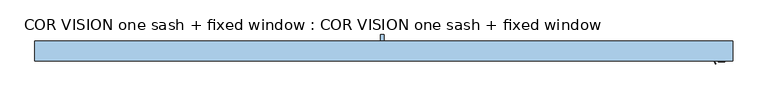
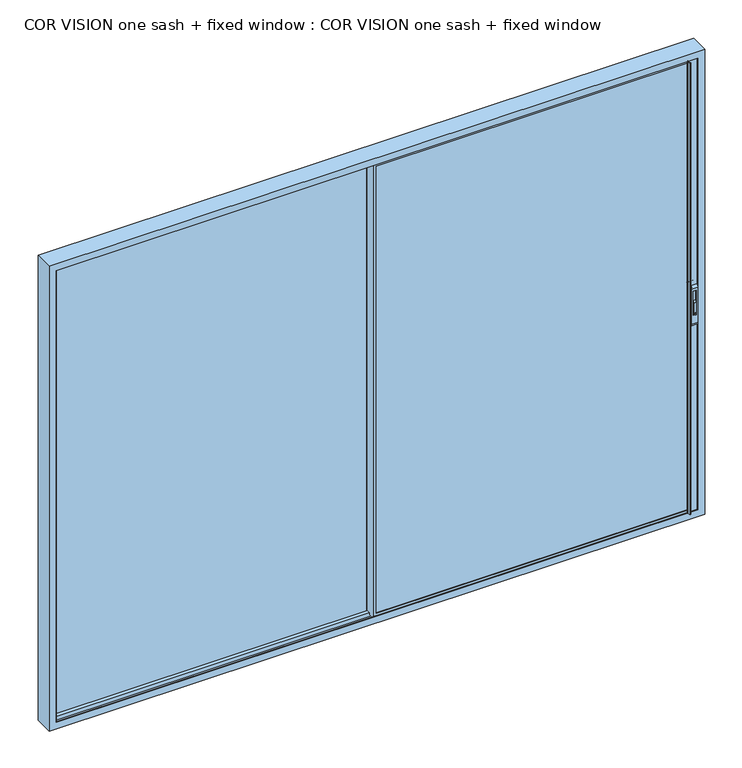
"""IFC4 building model written with IfcOpenShell, lengths in millimetres: window geometry, COR VISION one sash + fixed window : COR VISION one sash + fixed window."""

import ifcopenshell
import ifcopenshell.guid

model = None  # the IFC model being written
_history = None  # IfcOwnerHistory: only IFC2X3 demands one
_inside = {}  # id of a spatial element -> (the spatial element, [elements in it])
_under = {}  # id of a project, library or spatial element -> (it, [spatial elements below it])
_declared = {}  # id of a project -> (the project, [libraries it declares])
_typed = {}  # id of a type object -> (the type object, [elements of that type])
_made_of = {}  # id of a material, layer set ... -> (it, [elements and type objects made of it])


def new_model(schema):
    """Start an empty IFC model of exactly this schema.

    Asked for "IFC4X3", IfcOpenShell would pick the latest addendum, in which some entities
    have other attributes; the version numbers below select the first issue.
    IFC2X3 requires an IfcOwnerHistory on every rooted entity: one is made here for all.
    """
    global model, _history
    if schema == "IFC4X3":
        model = ifcopenshell.file(schema_version=(4, 3, 0, 0))
    else:
        model = ifcopenshell.file(schema=schema)
    _inside.clear()
    _under.clear()
    _declared.clear()
    _typed.clear()
    _made_of.clear()
    _history = None
    if model.schema == "IFC2X3":
        org = make("IfcOrganization", Name="unknown")
        user = make(
            "IfcPersonAndOrganization",
            ThePerson=make("IfcPerson", FamilyName="unknown"),
            TheOrganization=org,
        )
        app = make(
            "IfcApplication",
            ApplicationDeveloper=org,
            Version="unknown",
            ApplicationFullName="unknown",
            ApplicationIdentifier="unknown",
        )
        _history = make(
            "IfcOwnerHistory",
            OwningUser=user,
            OwningApplication=app,
            ChangeAction="ADDED",
            CreationDate=0,
        )
    return model


def make(cls, **values):
    """One entity of the class cls with the attributes given. An attribute that is None is left unset."""
    return model.create_entity(
        cls, **{name: value for name, value in values.items() if value is not None}
    )


def rooted(cls, **values):
    """An entity with a GlobalId (a new one), such as an element, a storey or a relation."""
    return make(cls, GlobalId=ifcopenshell.guid.new(), OwnerHistory=_history, **values)


def si_unit(unit_type, name, prefix=None):
    """IfcSIUnit, for example si_unit("LENGTHUNIT", "METRE", prefix="MILLI")."""
    return make("IfcSIUnit", UnitType=unit_type, Prefix=prefix, Name=name)


def assignment(units):
    """IfcUnitAssignment: the units of a project."""
    return None if units is None else make("IfcUnitAssignment", Units=units)


def point(xyz):
    """IfcCartesianPoint."""
    return None if xyz is None else make("IfcCartesianPoint", Coordinates=xyz)


def direction(xyz):
    """IfcDirection."""
    return None if xyz is None else make("IfcDirection", DirectionRatios=xyz)


def frame(location, z_axis=None, x_axis=None):
    """IfcAxis2Placement3D, a coordinate frame: its origin and axes. An axis left out is left unset."""
    return make(
        "IfcAxis2Placement3D",
        Location=point(location),
        Axis=direction(z_axis),
        RefDirection=direction(x_axis),
    )


def frame_2d(location, x_axis=None):
    """IfcAxis2Placement2D, a coordinate frame in the plane: its origin and x axis."""
    return make(
        "IfcAxis2Placement2D", Location=point(location), RefDirection=direction(x_axis)
    )


def origin():
    """The frame at (0, 0, 0) with its axes left unset."""
    return frame((0.0, 0.0, 0.0))


def place(relative_to, where):
    """IfcLocalPlacement: puts the frame where relative to a parent placement (None: the world)."""
    return make(
        "IfcLocalPlacement", PlacementRelTo=relative_to, RelativePlacement=where
    )


def context(
    kind, dimensions, precision=None, world=None, true_north=None, identifier=None
):
    """IfcGeometricRepresentationContext, for example the 3D "Model" context."""
    return make(
        "IfcGeometricRepresentationContext",
        ContextIdentifier=identifier,
        ContextType=kind,
        CoordinateSpaceDimension=dimensions,
        Precision=precision,
        WorldCoordinateSystem=world,
        TrueNorth=true_north,
    )


def project(units=None, contexts=None):
    """IfcProject with its units and contexts."""
    return rooted(
        "IfcProject",
        Name="project",
        RepresentationContexts=contexts,
        UnitsInContext=assignment(units),
    )


def spatial(cls, under=None, at=None, **own):
    """A site, building, storey or space (cls), placed at a placement, below another one or the project."""
    s = rooted(cls, ObjectPlacement=at, **own)
    if under is not None:
        _under.setdefault(under.id(), (under, []))[1].append(s)
    return s


def polyline(points):
    """IfcPolyline through the points."""
    return make("IfcPolyline", Points=[point(p) for p in points])


def circle_curve(where, radius):
    """IfcCircle in the frame where."""
    return make("IfcCircle", Position=where, Radius=radius)


def trimmed(basis, trim1, trim2, sense, master):
    """IfcTrimmedCurve: the piece of a basis curve between two trims."""
    return make(
        "IfcTrimmedCurve",
        BasisCurve=basis,
        Trim1=trim1,
        Trim2=trim2,
        SenseAgreement=sense,
        MasterRepresentation=master,
    )


def segment(curve, same_sense, transition):
    """IfcCompositeCurveSegment."""
    return make(
        "IfcCompositeCurveSegment",
        Transition=transition,
        SameSense=same_sense,
        ParentCurve=curve,
    )


def composite_curve(segments, self_intersect=None):
    """IfcCompositeCurve: segments joined end to end."""
    return make("IfcCompositeCurve", Segments=segments, SelfIntersect=self_intersect)


def outline(outer, holes=None, kind="AREA"):
    """IfcArbitraryClosedProfileDef: a profile drawn as a closed curve; with holes, ...WithVoids."""
    if holes is None:
        return make("IfcArbitraryClosedProfileDef", ProfileType=kind, OuterCurve=outer)
    return make(
        "IfcArbitraryProfileDefWithVoids",
        ProfileType=kind,
        OuterCurve=outer,
        InnerCurves=holes,
    )


def extrude(swept, where, along, depth):
    """IfcExtrudedAreaSolid: the profile swept, set in the frame where, extruded along a direction by depth."""
    return make(
        "IfcExtrudedAreaSolid",
        SweptArea=swept,
        Position=where,
        ExtrudedDirection=direction(along),
        Depth=depth,
    )


def faces_of(points, faces, orient=None, outer=None):
    """IfcFace entities. A face is a list of loops; a loop is a list of indices into points, from 0.

    orient and outer hold one flag for each loop. By default every Orientation is true, the
    first loop of a face is its IfcFaceOuterBound and the others are IfcFaceBound.
    """
    made = []
    for i, loops in enumerate(faces):
        bounds = []
        for j, loop in enumerate(loops):
            is_outer = j == 0 if outer is None else outer[i][j]
            bounds.append(
                make(
                    "IfcFaceOuterBound" if is_outer else "IfcFaceBound",
                    Bound=make("IfcPolyLoop", Polygon=[points[k] for k in loop]),
                    Orientation=True if orient is None else orient[i][j],
                )
            )
        made.append(make("IfcFace", Bounds=bounds))
    return made


def faceted_brep(points, faces, orient=None, outer=None, voids=None):
    """IfcFacetedBrep: a solid bounded by flat faces; with voids (closed shells), ...WithVoids."""
    shared = [point(p) for p in points]
    hull = make("IfcClosedShell", CfsFaces=faces_of(shared, faces, orient, outer))
    if voids is None:
        return make("IfcFacetedBrep", Outer=hull)
    return make(
        "IfcFacetedBrepWithVoids",
        Outer=hull,
        Voids=[
            make(cls, CfsFaces=faces_of(shared, fs, o, b)) for cls, fs, o, b in voids
        ],
    )


def shape(context_of_items, identifier, shape_type, items):
    """IfcShapeRepresentation: the items that make up one representation, for example the "Body"."""
    return make(
        "IfcShapeRepresentation",
        ContextOfItems=context_of_items,
        RepresentationIdentifier=identifier,
        RepresentationType=shape_type,
        Items=items,
    )


def source(mapping_origin, context_of_items, identifier, shape_type, items):
    """IfcRepresentationMap: a shape defined once, which mapped items show again and again."""
    return make(
        "IfcRepresentationMap",
        MappingOrigin=mapping_origin,
        MappedRepresentation=shape(context_of_items, identifier, shape_type, items),
    )


def transform(
    local_origin,
    x_axis=None,
    y_axis=None,
    z_axis=None,
    scale=None,
    scale2=None,
    scale3=None,
    uniform=True,
):
    """IfcCartesianTransformationOperator3D, or its non-uniform kind. x_axis, y_axis, z_axis: its Axis1, 2, 3."""
    if uniform:
        return make(
            "IfcCartesianTransformationOperator3D",
            Axis1=direction(x_axis),
            Axis2=direction(y_axis),
            LocalOrigin=point(local_origin),
            Scale=scale,
            Axis3=direction(z_axis),
        )
    return make(
        "IfcCartesianTransformationOperator3DnonUniform",
        Axis1=direction(x_axis),
        Axis2=direction(y_axis),
        LocalOrigin=point(local_origin),
        Scale=scale,
        Axis3=direction(z_axis),
        Scale2=scale2,
        Scale3=scale3,
    )


def mapped(mapping_source, mapping_target):
    """IfcMappedItem: shows the shape of a source again, moved by a transform."""
    return make(
        "IfcMappedItem", MappingSource=mapping_source, MappingTarget=mapping_target
    )


def made_of(thing, what):
    """Note that an element or type object is made of a material, layer set ...; save() writes the relation."""
    if what is not None:
        _made_of.setdefault(what.id(), (what, []))[1].append(thing)
    return thing


def element(
    cls,
    number,
    at=None,
    inside=None,
    cuts=None,
    type_object=None,
    material=None,
    context=None,
    identifier="Body",
    shape_type=None,
    held_by="IfcProductDefinitionShape",
    body=None,
    shapes=None,
    **own,
):
    """One element of the class cls, such as IfcWall. Its Tag is "e" and its number.

    at: its placement. inside: the storey or other place that contains it. cuts: it is an
    opening in that element (IfcRelVoidsElement). A single representation is given by context,
    identifier, shape_type and body (its items); several are given by shapes. held_by: the class
    of the entity that holds the representations. save() writes the other relations.
    """
    e = rooted(cls, Tag="e%d" % number, ObjectPlacement=at, **own)
    if body is not None:
        shapes = [shape(context, identifier, shape_type, body)]
    if shapes is not None:
        e.Representation = make(held_by, Representations=shapes)
    if inside is not None:
        _inside.setdefault(inside.id(), (inside, []))[1].append(e)
    if cuts is not None:
        rooted(
            "IfcRelVoidsElement", RelatingBuildingElement=cuts, RelatedOpeningElement=e
        )
    if type_object is not None:
        _typed.setdefault(type_object.id(), (type_object, []))[1].append(e)
    return made_of(e, material)


def aggregate(whole, parts):
    """IfcRelAggregates: a whole, such as a stair, and the parts it consists of."""
    return rooted("IfcRelAggregates", RelatingObject=whole, RelatedObjects=parts)


def save(model, path):
    """Write the relations noted so far, then the file.

    IfcRelAggregates (storeys below a building ...), IfcRelContainedInSpatialStructure (elements
    in a storey), IfcRelDefinesByType, IfcRelAssociatesMaterial and IfcRelDeclares: one each for
    every whole, place, type object, material and project.
    """
    for whole, parts in _under.values():
        aggregate(whole, parts)
    for where, things in _inside.values():
        rooted(
            "IfcRelContainedInSpatialStructure",
            RelatedElements=things,
            RelatingStructure=where,
        )
    for kind, things in _typed.values():
        rooted("IfcRelDefinesByType", RelatedObjects=things, RelatingType=kind)
    for what, things in _made_of.values():
        rooted("IfcRelAssociatesMaterial", RelatedObjects=things, RelatingMaterial=what)
    for by, libraries in _declared.values():
        rooted("IfcRelDeclares", RelatingContext=by, RelatedDefinitions=libraries)
    model.write(path)


def plane_surface(at):
    """IfcPlane: the flat surface through the origin of the frame at, square to its z axis."""
    return make("IfcPlane", Position=at)


def cylinder_surface(at, radius):
    """IfcCylindricalSurface: all points at the distance radius from the z axis of the frame at."""
    return make("IfcCylindricalSurface", Position=at, Radius=radius)


def revolved_surface(curve, axis_point, axis_direction):
    """IfcSurfaceOfRevolution: the curve turned about the line through axis_point along axis_direction."""
    return make(
        "IfcSurfaceOfRevolution",
        SweptCurve=make("IfcArbitraryOpenProfileDef", ProfileType="CURVE", Curve=curve),
        AxisPosition=make("IfcAxis1Placement", Location=point(axis_point), Axis=direction(axis_direction)),
    )


def advanced_brep(points, edges, surfaces, faces):
    """IfcAdvancedBrep: a solid bounded by faces that lie on surfaces and meet in shared edges.

    An edge is (start, end): straight between two places in points (the first is 0);
    or (start, end, curve); or (start, end, curve, False) where it runs against its curve.
    A face is (place in surfaces, loops), or (place, loops, False) where it looks against
    its surface's normal. A loop lists edges by number (the first is 1), with a minus sign
    where the edge is run from its end to its start. The first loop is the outer one.
    """
    corners = [point(p) for p in points]
    vertices = [make("IfcVertexPoint", VertexGeometry=c) for c in corners]
    made = []
    for start, end, *more in edges:
        made.append(
            make(
                "IfcEdgeCurve",
                EdgeStart=vertices[start],
                EdgeEnd=vertices[end],
                EdgeGeometry=more[0] if more else make("IfcPolyline", Points=[corners[start], corners[end]]),
                SameSense=more[1] if len(more) > 1 else True,
            )
        )
    hull = []
    for where, loops, *sense in faces:
        bounds = []
        for j, loop in enumerate(loops):
            ring = [make("IfcOrientedEdge", EdgeElement=made[abs(k) - 1], Orientation=k > 0) for k in loop]
            bounds.append(
                make(
                    "IfcFaceOuterBound" if j == 0 else "IfcFaceBound",
                    Bound=make("IfcEdgeLoop", EdgeList=ring),
                    Orientation=True,
                )
            )
        hull.append(make("IfcAdvancedFace", Bounds=bounds, FaceSurface=surfaces[where], SameSense=sense[0] if sense else True))
    return make("IfcAdvancedBrep", Outer=make("IfcClosedShell", CfsFaces=hull))


def cor_vision_one_sash_fixed_window_cor_vision_one_sash_fixed_5badab7a(model_context):
    return source(origin(), model_context, "Body", "SolidModel", [
        extrude(outline(composite_curve([segment(polyline([(-105.3, 2125.2189223), (-105.3, 2189.6559659)]), True, "CONTINUOUS"), segment(trimmed(circle_curve(frame_2d((-94.7370436, 2189.6559659)), 10.5629564), [point((-105.3, 2189.6559659))], [point((-94.7370436, 2200.2189223))], False, "CARTESIAN"), True, "CONTINUOUS"), segment(polyline([(-94.7370436, 2200.2189223), (-99.5185218, 2125.2189223), (-105.3, 2125.2189223)]), True, "CONTINUOUS")], self_intersect=False)), frame((1928.439635, 0.0, 0.0), z_axis=(1.0, 0.0, 0.0), x_axis=(0.0, 1.0, 0.0)), (0.0, 0.0, 1.0), 14.8235768),
        advanced_brep(
        [(1953.8472469, -105.3, 2057.5), (1953.8472469, -93.3, 2040.0), (1953.8472469, -93.3, 2300.0), (1953.8472469, -105.3, 2282.5), (1917.8935563, -105.3, 2057.5), (1917.8935563, -105.3, 2282.5), (1917.8935563, -93.3, 2300.0), (1917.8935563, -93.3, 2040.0), (1927.0561714, -105.3, 2266.667345), (1944.6466754, -105.3, 2266.667345), (1944.6466754, -105.3, 2110.7687336), (1927.0561714, -105.3, 2110.7687336), (1944.6466754, -94.7370436, 2266.667345), (1927.0561714, -94.7370436, 2266.667345), (1927.0561714, -94.7370436, 2110.7687336), (1944.6466754, -94.7370436, 2110.7687336)],
        [
            (0, 1, circle_curve(frame((1953.8472469, -86.5395833, 2057.5), z_axis=(1.0, 0.0, 0.0), x_axis=(0.0, 0.0, -1.0)), 18.7604167)),
            (1, 2),
            (2, 3, circle_curve(frame((1953.8472469, -86.5395833, 2282.5), z_axis=(1.0, 0.0, 0.0), x_axis=(0.0, 0.0, -1.0)), 18.7604167)),
            (3, 0),
            (4, 5),
            (5, 6, circle_curve(frame((1917.8935563, -86.5395833, 2282.5), z_axis=(-1.0, 0.0, 0.0), x_axis=(0.0, 0.0, -1.0)), 18.7604167)),
            (6, 7),
            (7, 4, circle_curve(frame((1917.8935563, -86.5395833, 2057.5), z_axis=(-1.0, 0.0, 0.0), x_axis=(0.0, 0.0, -1.0)), 18.7604167)),
            (1, 7),
            (6, 2),
            (3, 5),
            (4, 0),
            (8, 9),
            (9, 10),
            (10, 11),
            (11, 8),
            (12, 13),
            (13, 14),
            (14, 15),
            (15, 12),
            (12, 9),
            (8, 13),
            (11, 14),
            (10, 15),
        ],
        [
            plane_surface(frame((1953.8472469, -86.5395833, 2038.7395833), z_axis=(1.0, 0.0, 0.0), x_axis=(0.0, 1.0, 0.0))),
            plane_surface(frame((1917.8935563, -86.5395833, 2038.7395833), z_axis=(-1.0, 0.0, 0.0), x_axis=(0.0, -1.0, 0.0))),
            plane_surface(frame((1953.8472469, -93.3, 2040.0), z_axis=(0.0, 1.0, 0.0), x_axis=(-1.0, 0.0, 0.0))),
            plane_surface(frame((1953.8472469, -105.3, 2282.5), z_axis=(0.0, -1.0, 0.0), x_axis=(-1.0, 0.0, 0.0))),
            plane_surface(frame((1927.0561714, -94.7370436, 2266.667345), z_axis=(0.0, -1.0, 0.0), x_axis=(1.0, 0.0, 0.0))),
            plane_surface(frame((1944.6466754, -105.3, 2266.667345), z_axis=(0.0, 0.0, -1.0), x_axis=(0.0, 1.0, 0.0))),
            plane_surface(frame((1927.0561714, -105.3, 2266.667345), z_axis=(1.0, 0.0, 0.0), x_axis=(0.0, 1.0, 0.0))),
            plane_surface(frame((1927.0561714, -105.3, 2110.7687336), z_axis=(0.0, 0.0, 1.0), x_axis=(0.0, 1.0, 0.0))),
            plane_surface(frame((1944.6466754, -105.3, 2110.7687336), z_axis=(-1.0, 0.0, 0.0), x_axis=(0.0, 1.0, 0.0))),
            cylinder_surface(frame((1917.8935563, -86.5395833, 2057.5), z_axis=(1.0, 0.0, 0.0), x_axis=(0.0, 0.0, -1.0)), 18.7604167),
            cylinder_surface(frame((1917.8935563, -86.5395833, 2282.5), z_axis=(1.0, 0.0, 0.0), x_axis=(0.0, 0.0, -1.0)), 18.7604167),
        ],
        [
            (0, [[1, 2, 3, 4]]),
            (1, [[5, 6, 7, 8]]),
            (2, [[-2, 9, -7, 10]]),
            (3, [[-4, 11, -5, 12], [13, 14, 15, 16]]),
            (4, [[17, 18, 19, 20]]),
            (5, [[-17, 21, -13, 22]]),
            (6, [[-18, -22, -16, 23]]),
            (7, [[-19, -23, -15, 24]]),
            (8, [[-20, -24, -14, -21]]),
            (9, [[-1, -12, -8, -9]]),
            (10, [[-3, -10, -6, -11]]),
        ],
    ),
        extrude(outline(composite_curve([segment(polyline([(-44.9, 2125.2189223), (-50.6814782, 2125.2189223), (-55.4629564, 2200.2189223)]), True, "CONTINUOUS"), segment(trimmed(circle_curve(frame_2d((-55.4629564, 2189.6559659)), 10.5629564), [point((-55.4629564, 2200.2189223))], [point((-44.9, 2189.6559659))], False, "CARTESIAN"), True, "CONTINUOUS"), segment(polyline([(-44.9, 2189.6559659), (-44.9, 2125.2189223)]), True, "CONTINUOUS")], self_intersect=False)), frame((1928.5239007, 0.0, 0.0), z_axis=(1.0, 0.0, 0.0), x_axis=(0.0, 1.0, 0.0)), (0.0, 0.0, 1.0), 14.8235768),
        advanced_brep(
        [(1917.9398656, -44.9, 2057.5), (1917.9398656, -56.9, 2040.0), (1917.9398656, -56.9, 2300.0), (1917.9398656, -44.9, 2282.5), (1953.8935563, -44.9, 2057.5), (1953.8935563, -44.9, 2282.5), (1953.8935563, -56.9, 2300.0), (1953.8935563, -56.9, 2040.0), (1944.7309411, -44.9, 2266.667345), (1927.1404371, -44.9, 2266.667345), (1927.1404371, -44.9, 2110.7687336), (1944.7309411, -44.9, 2110.7687336), (1927.1404371, -55.4629564, 2266.667345), (1944.7309411, -55.4629564, 2266.667345), (1944.7309411, -55.4629564, 2110.7687336), (1927.1404371, -55.4629564, 2110.7687336)],
        [
            (0, 1, circle_curve(frame((1917.9398656, -63.6604167, 2057.5), z_axis=(-1.0, 0.0, 0.0), x_axis=(0.0, 0.0, -1.0)), 18.7604167)),
            (1, 2),
            (2, 3, circle_curve(frame((1917.9398656, -63.6604167, 2282.5), z_axis=(-1.0, 0.0, 0.0), x_axis=(0.0, 0.0, -1.0)), 18.7604167)),
            (3, 0),
            (4, 5),
            (5, 6, circle_curve(frame((1953.8935563, -63.6604167, 2282.5), z_axis=(1.0, 0.0, 0.0), x_axis=(0.0, 0.0, -1.0)), 18.7604167)),
            (6, 7),
            (7, 4, circle_curve(frame((1953.8935563, -63.6604167, 2057.5), z_axis=(1.0, 0.0, 0.0), x_axis=(0.0, 0.0, -1.0)), 18.7604167)),
            (1, 7),
            (6, 2),
            (3, 5),
            (4, 0),
            (8, 9),
            (9, 10),
            (10, 11),
            (11, 8),
            (12, 13),
            (13, 14),
            (14, 15),
            (15, 12),
            (12, 9),
            (8, 13),
            (11, 14),
            (10, 15),
        ],
        [
            plane_surface(frame((1917.9398656, -63.6604167, 2038.7395833), z_axis=(-1.0, 0.0, 0.0), x_axis=(0.0, -1.0, 0.0))),
            plane_surface(frame((1953.8935563, -63.6604167, 2038.7395833), z_axis=(1.0, 0.0, 0.0), x_axis=(0.0, 1.0, 0.0))),
            plane_surface(frame((1917.9398656, -56.9, 2040.0), z_axis=(0.0, -1.0, 0.0), x_axis=(1.0, 0.0, 0.0))),
            plane_surface(frame((1917.9398656, -44.9, 2282.5), z_axis=(0.0, 1.0, 0.0), x_axis=(1.0, 0.0, 0.0))),
            plane_surface(frame((1944.7309411, -55.4629564, 2266.667345), z_axis=(0.0, 1.0, 0.0), x_axis=(-1.0, 0.0, 0.0))),
            plane_surface(frame((1927.1404371, -44.9, 2266.667345), z_axis=(0.0, 0.0, -1.0), x_axis=(0.0, -1.0, 0.0))),
            plane_surface(frame((1944.7309411, -44.9, 2266.667345), z_axis=(-1.0, 0.0, 0.0), x_axis=(0.0, -1.0, 0.0))),
            plane_surface(frame((1944.7309411, -44.9, 2110.7687336), z_axis=(0.0, 0.0, 1.0), x_axis=(0.0, -1.0, 0.0))),
            plane_surface(frame((1927.1404371, -44.9, 2110.7687336), z_axis=(1.0, 0.0, 0.0), x_axis=(0.0, -1.0, 0.0))),
            cylinder_surface(frame((1953.8935563, -63.6604167, 2057.5), z_axis=(-1.0, 0.0, 0.0), x_axis=(0.0, 0.0, -1.0)), 18.7604167),
            cylinder_surface(frame((1953.8935563, -63.6604167, 2282.5), z_axis=(-1.0, 0.0, 0.0), x_axis=(0.0, 0.0, -1.0)), 18.7604167),
        ],
        [
            (0, [[1, 2, 3, 4]]),
            (1, [[5, 6, 7, 8]]),
            (2, [[-2, 9, -7, 10]]),
            (3, [[-4, 11, -5, 12], [13, 14, 15, 16]]),
            (4, [[17, 18, 19, 20]]),
            (5, [[-17, 21, -13, 22]]),
            (6, [[-18, -22, -16, 23]]),
            (7, [[-19, -23, -15, 24]]),
            (8, [[-20, -24, -14, -21]]),
            (9, [[-1, -12, -8, -9]]),
            (10, [[-3, -10, -6, -11]]),
        ],
    ),
        extrude(outline(polyline([(1909.0, -90.1), (-12.0, -90.1), (-12.0, -60.1), (1909.0, -60.1), (1909.0, -90.1)])), frame((0.0, 0.0, 847.0000675), z_axis=(0.0, 0.0, 1.0), x_axis=(1.0, 0.0, 0.0)), (0.0, 0.0, 1.0), 2905.9998651),
        extrude(outline(polyline([(-1980.5221068, -54.2), (-1956.0, -54.2), (-1956.0, -96.0), (-1977.9995213, -96.0), (-1977.9995213, -93.9), (-1957.6, -93.9), (-1957.6, -56.3), (-1980.5221068, -56.3), (-1980.5221068, -54.2)])), frame((0.0, 0.0, 820.0), z_axis=(0.0, 0.0, 1.0), x_axis=(1.0, 0.0, 0.0)), (0.0, 0.0, 1.0), 2960.0),
        faceted_brep([(0.0, 9.7, 820.0), (0.0, 9.7, 842.4), (0.0, -27.9, 842.4), (0.0, -27.9, 820.0), (0.0, -30.0, 820.0), (0.0, -30.0, 844.0), (0.0, 11.8, 844.0), (0.0, 11.8, 820.0), (1980.0, 9.7, 820.0), (1980.0, 9.7, 3780.0), (0.0, 9.7, 3780.0), (0.0, 9.7, 3757.6), (1957.6, 9.7, 3757.6), (1957.6, 9.7, 842.4), (1957.6, -27.9, 842.4), (1957.6, -27.9, 3757.6), (0.0, -27.9, 3757.6), (0.0, -27.9, 3780.0), (1980.0, -27.9, 3780.0), (1980.0, -27.9, 820.0), (1980.0, -30.0, 820.0), (1980.0, -30.0, 3780.0), (0.0, -30.0, 3780.0), (0.0, -30.0, 3756.0), (1956.0, -30.0, 3756.0), (1956.0, -30.0, 844.0), (1956.0, 11.8, 844.0), (1956.0, 11.8, 3756.0), (0.0, 11.8, 3756.0), (0.0, 11.8, 3780.0), (1980.0, 11.8, 3780.0), (1980.0, 11.8, 820.0)], [[[0, 1, 2, 3, 4, 5, 6, 7]], [[1, 0, 8, 9, 10, 11, 12, 13]], [[2, 1, 13, 14]], [[3, 2, 14, 15, 16, 17, 18, 19]], [[4, 3, 19, 20]], [[5, 4, 20, 21, 22, 23, 24, 25]], [[6, 5, 25, 26]], [[7, 6, 26, 27, 28, 29, 30, 31]], [[0, 7, 31, 8]], [[8, 31, 30, 9]], [[14, 13, 12, 15]], [[20, 19, 18, 21]], [[26, 25, 24, 27]], [[9, 30, 29, 10]], [[10, 29, 28, 23, 22, 17, 16, 11]], [[15, 12, 11, 16]], [[21, 18, 17, 22]], [[27, 24, 23, 28]]]),
        advanced_brep(
        [(-20.0, -30.3, 844.0), (-10.0, -30.3, 844.0), (-10.0, -56.9, 844.0), (-20.0, -56.9, 844.0), (-20.0, -30.3, 3756.0), (-10.0, -30.3, 3756.0), (-10.0, -56.9, 3756.0), (1980.0, -56.9, 859.0), (1980.0, -56.9, 832.5), (-20.0, -56.9, 832.5), (-20.0, -56.9, 3756.0), (-20.0, -56.9, 3765.0), (1980.0, -56.9, 3765.0), (1980.0, -56.9, 3741.0), (1968.3, -56.9, 3741.0), (1968.3, -56.9, 859.0), (1895.0, -56.9, 859.0), (1895.0, -56.9, 3741.0), (0.0, -56.9, 3741.0), (0.0, -56.9, 859.0), (1902.3815605, -56.9, 3756.0), (1897.0, -56.9, 3756.0), (1897.0, -56.9, 844.0), (1902.3815605, -56.9, 844.0), (-20.0, -93.3, 832.5), (-20.0, -93.3, 3765.0), (1980.0, -93.3, 832.5), (1980.0, -93.3, 859.0), (1968.3, -93.3, 859.0), (1968.3, -93.3, 3741.0), (1980.0, -93.3, 3741.0), (1980.0, -93.3, 3765.0), (0.0, -93.3, 859.0), (0.0, -93.3, 3741.0), (1895.0, -93.3, 3741.0), (1895.0, -93.3, 859.0), (1897.0, -93.3, 3756.0), (1902.3815605, -93.3, 3756.0), (1902.3815605, -93.3, 844.0), (1897.0, -93.3, 844.0), (1980.0, -60.1, 859.0), (1980.0, -60.1, 847.0000675), (1980.0, -90.1, 847.0000675), (1980.0, -90.1, 859.0), (1968.3, -90.1, 859.0), (0.0, -90.1, 859.0), (1895.0, -90.1, 859.0), (1968.3, -90.1, 847.0000675), (1968.3, -60.1, 847.0000675), (1968.3, -60.1, 859.0), (1968.3, -60.1, 3741.0), (1968.3, -60.1, 3752.9999325), (1968.3, -90.1, 3752.9999325), (1968.3, -90.1, 3741.0), (0.0, -90.1, 3741.0), (1895.0, -90.1, 3741.0), (1899.4977754, -95.4730879, 3756.0), (1899.4977754, -95.4730879, 844.0), (1898.126431, -100.2555341, 844.0), (1898.239631, -102.2330365, 844.0), (1903.9747822, -117.6432139, 844.0), (1903.5, -118.3, 844.0), (1900.7399611, -118.3, 844.0), (1899.7836563, -117.5923717, 844.0), (1895.1310857, -102.374499, 844.0), (1895.1310857, -99.8176786, 844.0), (1895.1310857, -50.3823214, 844.0), (1895.1310857, -47.825501, 844.0), (1899.7836563, -32.6076283, 844.0), (1900.7399611, -31.9, 844.0), (1903.5, -31.9, 844.0), (1903.9747822, -32.5567861, 844.0), (1898.239631, -47.9669635, 844.0), (1898.126431, -49.9444659, 844.0), (1899.4977754, -54.7269121, 844.0), (1895.1310857, -99.8176786, 3756.0), (1909.0, -90.1, 847.0000675), (-12.0, -90.1, 847.0000675), (-12.0, -90.1, 3752.9999325), (1909.0, -90.1, 3752.9999325), (1980.0, -90.1, 3752.9999325), (1980.0, -90.1, 3741.0), (-12.0, -60.1, 847.0000675), (1909.0, -60.1, 847.0000675), (-12.0, -60.1, 3752.9999325), (1909.0, -60.1, 3752.9999325), (1895.0, -60.1, 859.0), (0.0, -60.1, 859.0), (0.0, -60.1, 3741.0), (1895.0, -60.1, 3741.0), (1980.0, -60.1, 3741.0), (1980.0, -60.1, 3752.9999325), (1895.1310857, -50.3823214, 3756.0), (1899.4977754, -54.7269121, 3756.0), (1898.126431, -100.2555341, 3756.0), (1898.239631, -102.2330365, 3756.0), (1903.9747822, -117.6432139, 3756.0), (1903.5, -118.3, 3756.0), (1900.7399611, -118.3, 3756.0), (1899.7836563, -117.5923717, 3756.0), (1895.1310857, -102.374499, 3756.0), (1895.1310857, -47.825501, 3756.0), (1899.7836563, -32.6076283, 3756.0), (1900.7399611, -31.9, 3756.0), (1903.5, -31.9, 3756.0), (1903.9747822, -32.5567861, 3756.0), (1898.239631, -47.9669635, 3756.0), (1898.126431, -49.9444659, 3756.0)],
        [
            (0, 1),
            (1, 2),
            (2, 3),
            (3, 0),
            (4, 5),
            (5, 1),
            (0, 4),
            (5, 6),
            (6, 2),
            (7, 8),
            (8, 9),
            (9, 3),
            (6, 10),
            (10, 11),
            (11, 12),
            (12, 13),
            (13, 14),
            (14, 15),
            (15, 7),
            (16, 17),
            (17, 18),
            (18, 19),
            (19, 16),
            (20, 21),
            (21, 22),
            (22, 23),
            (23, 20),
            (9, 24),
            (24, 25),
            (25, 11),
            (10, 4),
            (8, 26),
            (26, 24),
            (26, 27),
            (27, 28),
            (28, 29),
            (29, 30),
            (30, 31),
            (31, 25),
            (32, 33),
            (33, 34),
            (34, 35),
            (35, 32),
            (36, 37),
            (37, 38),
            (38, 39),
            (39, 36),
            (40, 41),
            (41, 42),
            (42, 43),
            (43, 27),
            (7, 40),
            (43, 44),
            (44, 28),
            (45, 32),
            (35, 46),
            (46, 45),
            (44, 47),
            (47, 48),
            (48, 49),
            (49, 15),
            (14, 50),
            (50, 51),
            (51, 52),
            (52, 53),
            (53, 29),
            (45, 54),
            (54, 33),
            (34, 55),
            (55, 46),
            (37, 56, circle_curve(frame((1902.3815605, -96.3, 3756.0), z_axis=(0.0, 0.0, 1.0), x_axis=(1.0, 0.0, 0.0)), 3.0)),
            (56, 57),
            (57, 38, circle_curve(frame((1902.3815605, -96.3, 844.0), z_axis=(0.0, 0.0, -1.0), x_axis=(1.0, 0.0, 0.0)), 3.0)),
            (57, 58),
            (58, 59, circle_curve(frame((1901.0102161, -101.0824462, 844.0), z_axis=(0.0, 0.0, 1.0), x_axis=(1.0, 0.0, 0.0)), 3.0)),
            (59, 60, circle_curve(frame((1694.8068415, -186.7162025, 844.0), z_axis=(0.0, 0.0, -1.0), x_axis=(1.0, 0.0, 0.0)), 220.2777909)),
            (60, 61, circle_curve(frame((1903.5, -117.8, 844.0), z_axis=(0.0, 0.0, -1.0), x_axis=(1.0, 0.0, 0.0)), 0.5)),
            (61, 62),
            (62, 63, circle_curve(frame((1900.7399611, -117.3, 844.0), z_axis=(0.0, 0.0, -1.0), x_axis=(1.0, 0.0, 0.0)), 1.0)),
            (63, 64),
            (64, 65, circle_curve(frame((1899.3125771, -101.0960888, 844.0), z_axis=(0.0, 0.0, -1.0), x_axis=(1.0, 0.0, 0.0)), 4.372551)),
            (65, 39),
            (22, 66),
            (66, 67, circle_curve(frame((1899.3125771, -49.1039112, 844.0), z_axis=(0.0, 0.0, -1.0), x_axis=(1.0, 0.0, 0.0)), 4.372551)),
            (67, 68),
            (68, 69, circle_curve(frame((1900.7399611, -32.9, 844.0), z_axis=(0.0, 0.0, -1.0), x_axis=(1.0, 0.0, 0.0)), 1.0)),
            (69, 70),
            (70, 71, circle_curve(frame((1903.5, -32.4, 844.0), z_axis=(0.0, 0.0, -1.0), x_axis=(1.0, 0.0, 0.0)), 0.5)),
            (71, 72, circle_curve(frame((1694.8068415, 36.5162025, 844.0), z_axis=(0.0, 0.0, -1.0), x_axis=(1.0, 0.0, 0.0)), 220.2777909)),
            (72, 73, circle_curve(frame((1901.0102161, -49.1175538, 844.0), z_axis=(0.0, 0.0, 1.0), x_axis=(1.0, 0.0, 0.0)), 3.0)),
            (73, 74),
            (74, 23, circle_curve(frame((1902.3815605, -53.9, 844.0), z_axis=(0.0, 0.0, 1.0), x_axis=(1.0, 0.0, 0.0)), 3.0)),
            (75, 36),
            (65, 75),
            (42, 47),
            (76, 77),
            (77, 78),
            (78, 79),
            (79, 76),
            (55, 54),
            (80, 81),
            (81, 53),
            (52, 80),
            (41, 48),
            (82, 77),
            (76, 83),
            (83, 82),
            (82, 84),
            (84, 78),
            (85, 83),
            (79, 85),
            (40, 49),
            (85, 84),
            (86, 87),
            (87, 88),
            (88, 89),
            (89, 86),
            (90, 91),
            (91, 51),
            (50, 90),
            (19, 87),
            (86, 16),
            (18, 88),
            (89, 17),
            (21, 92),
            (92, 66),
            (93, 20, circle_curve(frame((1902.3815605, -53.9, 3756.0), z_axis=(0.0, 0.0, 1.0), x_axis=(1.0, 0.0, 0.0)), 3.0)),
            (74, 93),
            (56, 94),
            (94, 58),
            (94, 95, circle_curve(frame((1901.0102161, -101.0824462, 3756.0), z_axis=(0.0, 0.0, 1.0), x_axis=(1.0, 0.0, 0.0)), 3.0)),
            (95, 59),
            (95, 96, circle_curve(frame((1694.8068415, -186.7162025, 3756.0), z_axis=(0.0, 0.0, -1.0), x_axis=(1.0, 0.0, 0.0)), 220.2777909)),
            (96, 60),
            (96, 97, circle_curve(frame((1903.5, -117.8, 3756.0), z_axis=(0.0, 0.0, -1.0), x_axis=(1.0, 0.0, 0.0)), 0.5)),
            (97, 61),
            (97, 98),
            (98, 62),
            (98, 99, circle_curve(frame((1900.7399611, -117.3, 3756.0), z_axis=(0.0, 0.0, -1.0), x_axis=(1.0, 0.0, 0.0)), 1.0)),
            (99, 63),
            (99, 100),
            (100, 64),
            (100, 75, circle_curve(frame((1899.3125771, -101.0960888, 3756.0), z_axis=(0.0, 0.0, -1.0), x_axis=(1.0, 0.0, 0.0)), 4.372551)),
            (92, 101, circle_curve(frame((1899.3125771, -49.1039112, 3756.0), z_axis=(0.0, 0.0, -1.0), x_axis=(1.0, 0.0, 0.0)), 4.372551)),
            (101, 67),
            (101, 102),
            (102, 68),
            (102, 103, circle_curve(frame((1900.7399611, -32.9, 3756.0), z_axis=(0.0, 0.0, -1.0), x_axis=(1.0, 0.0, 0.0)), 1.0)),
            (103, 69),
            (103, 104),
            (104, 70),
            (104, 105, circle_curve(frame((1903.5, -32.4, 3756.0), z_axis=(0.0, 0.0, -1.0), x_axis=(1.0, 0.0, 0.0)), 0.5)),
            (105, 71),
            (105, 106, circle_curve(frame((1694.8068415, 36.5162025, 3756.0), z_axis=(0.0, 0.0, -1.0), x_axis=(1.0, 0.0, 0.0)), 220.2777909)),
            (106, 72),
            (106, 107, circle_curve(frame((1901.0102161, -49.1175538, 3756.0), z_axis=(0.0, 0.0, 1.0), x_axis=(1.0, 0.0, 0.0)), 3.0)),
            (107, 73),
            (107, 93),
            (31, 12),
            (81, 30),
            (80, 91),
            (90, 13),
        ],
        [
            plane_surface(frame((-20.0, -93.3, 844.0), z_axis=(0.0, 0.0, -1.0), x_axis=(0.0, 1.0, 0.0))),
            plane_surface(frame((-10.0, -30.3, 3756.0), z_axis=(0.0, 1.0, 0.0), x_axis=(0.0, 0.0, -1.0))),
            plane_surface(frame((-10.0, -56.9, 3756.0), z_axis=(1.0, 0.0, 0.0), x_axis=(0.0, 0.0, -1.0))),
            plane_surface(frame((0.0, -56.9, 3756.0), z_axis=(0.0, 1.0, 0.0), x_axis=(0.0, 0.0, -1.0))),
            plane_surface(frame((-20.0, -30.3, 3756.0), z_axis=(-1.0, 0.0, 0.0), x_axis=(0.0, 0.0, -1.0))),
            plane_surface(frame((-20.0, -56.9, 832.5), z_axis=(0.0, 0.0, -1.0), x_axis=(1.0, 0.0, 0.0))),
            plane_surface(frame((-20.0, -93.3, 3756.0), z_axis=(0.0, -1.0, 0.0), x_axis=(0.0, 0.0, -1.0))),
            plane_surface(frame((1980.0, -56.9, 859.0), z_axis=(1.0, 0.0, 0.0), x_axis=(0.0, -1.0, 0.0))),
            plane_surface(frame((-20.0, -93.3, 859.0), z_axis=(0.0, 0.0, 1.0), x_axis=(1.0, 0.0, 0.0))),
            plane_surface(frame((1968.3, -93.3, 3756.0), z_axis=(1.0, 0.0, 0.0), x_axis=(0.0, 0.0, -1.0))),
            plane_surface(frame((0.0, -93.3, 3756.0), z_axis=(1.0, 0.0, 0.0), x_axis=(0.0, 0.0, -1.0))),
            plane_surface(frame((1895.0, -90.1, 3756.0), z_axis=(-1.0, 0.0, 0.0), x_axis=(0.0, 0.0, -1.0))),
            revolved_surface(polyline([(1905.3815605, -96.3, 844.0), (1905.3815605, -96.3, 3756.0)]), (1902.3815605, -96.3, 844.0), (0.0, 0.0, -1.0)),
            plane_surface(frame((1968.3, -93.3, 844.0), z_axis=(0.0, 0.0, -1.0), x_axis=(0.0, -1.0, 0.0))),
            plane_surface(frame((1897.0, -93.3, 3756.0), z_axis=(-0.961261695938902, 0.2756373558149656, 0.0), x_axis=(0.0, 0.0, -1.0))),
            plane_surface(frame((0.0, -90.1, 3756.0), z_axis=(0.0, 1.0, 0.0), x_axis=(0.0, 0.0, -1.0))),
            plane_surface(frame((-20.0, -90.1, 847.0000675), z_axis=(0.0, 0.0, 1.0), x_axis=(1.0, 0.0, 0.0))),
            plane_surface(frame((-12.0, -90.1, 3756.0), z_axis=(1.0, 0.0, 0.0), x_axis=(0.0, 0.0, -1.0))),
            plane_surface(frame((1909.0, -60.1, 3756.0), z_axis=(-1.0, 0.0, 0.0), x_axis=(0.0, 0.0, -1.0))),
            plane_surface(frame((-12.0, -60.1, 3756.0), z_axis=(0.0, -1.0, 0.0), x_axis=(0.0, 0.0, -1.0))),
            plane_surface(frame((-20.0, -60.1, 859.0), z_axis=(0.0, 0.0, 1.0), x_axis=(1.0, 0.0, 0.0))),
            plane_surface(frame((0.0, -60.1, 3756.0), z_axis=(1.0, 0.0, 0.0), x_axis=(0.0, 0.0, -1.0))),
            plane_surface(frame((1895.0, -56.9, 3756.0), z_axis=(-1.0, 0.0, 0.0), x_axis=(0.0, 0.0, -1.0))),
            plane_surface(frame((1895.1310857, -50.3823214, 3756.0), z_axis=(-0.9612616959387141, -0.2756373558156213, 0.0), x_axis=(0.0, 0.0, -1.0))),
            revolved_surface(polyline([(1905.3815605, -53.9, 844.0), (1905.3815605, -53.9, 3756.0)]), (1902.3815605, -53.9, 844.0), (0.0, 0.0, -1.0)),
            plane_surface(frame((1898.126431, -100.2555341, 3756.0), z_axis=(0.9612616959395041, -0.27563735581286597, 0.0), x_axis=(0.0, 0.0, -1.0))),
            revolved_surface(polyline([(1904.0102161, -101.0824462, 844.0), (1904.0102161, -101.0824462, 3756.0)]), (1901.0102161, -101.0824462, 844.0), (0.0, 0.0, -1.0)),
            cylinder_surface(frame((1694.8068415, -186.7162025, 844.0), z_axis=(0.0, 0.0, 1.0), x_axis=(1.0, 0.0, 0.0)), 220.2777909),
            cylinder_surface(frame((1903.5, -117.8, 844.0), z_axis=(0.0, 0.0, 1.0), x_axis=(1.0, 0.0, 0.0)), 0.5),
            plane_surface(frame((1900.7399611, -118.3, 3756.0), z_axis=(-1.6183927219068097e-12, -1.0, 0.0), x_axis=(0.0, 0.0, -1.0))),
            cylinder_surface(frame((1900.7399611, -117.3, 844.0), z_axis=(0.0, 0.0, 1.0), x_axis=(1.0, 0.0, 0.0)), 1.0),
            plane_surface(frame((1895.1310857, -102.374499, 3756.0), z_axis=(-0.9563047559631408, -0.2923717047223922, 0.0), x_axis=(0.0, 0.0, -1.0))),
            cylinder_surface(frame((1899.3125771, -101.0960888, 844.0), z_axis=(0.0, 0.0, 1.0), x_axis=(1.0, 0.0, 0.0)), 4.372551),
            cylinder_surface(frame((1899.3125771, -49.1039112, 844.0), z_axis=(0.0, 0.0, 1.0), x_axis=(1.0, 0.0, 0.0)), 4.372551),
            plane_surface(frame((1899.7836563, -32.6076283, 3756.0), z_axis=(-0.9563047559628503, 0.2923717047233427, 0.0), x_axis=(0.0, 0.0, -1.0))),
            cylinder_surface(frame((1900.7399611, -32.9, 844.0), z_axis=(0.0, 0.0, 1.0), x_axis=(1.0, 0.0, 0.0)), 1.0),
            plane_surface(frame((1903.5, -31.9, 3756.0), z_axis=(0.0, 1.0, 0.0), x_axis=(0.0, 0.0, -1.0))),
            cylinder_surface(frame((1903.5, -32.4, 844.0), z_axis=(0.0, 0.0, 1.0), x_axis=(1.0, 0.0, 0.0)), 0.5),
            cylinder_surface(frame((1694.8068415, 36.5162025, 844.0), z_axis=(0.0, 0.0, 1.0), x_axis=(1.0, 0.0, 0.0)), 220.2777909),
            revolved_surface(polyline([(1904.0102161, -49.1175538, 844.0), (1904.0102161, -49.1175538, 3756.0)]), (1901.0102161, -49.1175538, 844.0), (0.0, 0.0, -1.0)),
            plane_surface(frame((1899.4977754, -54.7269121, 3756.0), z_axis=(0.9612616959391971, 0.27563735581393656, 0.0), x_axis=(0.0, 0.0, -1.0))),
            plane_surface(frame((-20.0, -93.3, 3756.0), z_axis=(0.0, 0.0, 1.0), x_axis=(0.0, -1.0, 0.0))),
            plane_surface(frame((-20.0, -93.3, 3765.0), z_axis=(0.0, 0.0, 1.0), x_axis=(1.0, 0.0, 0.0))),
            plane_surface(frame((-20.0, -90.1, 3741.0), z_axis=(0.0, 0.0, -1.0), x_axis=(1.0, 0.0, 0.0))),
            plane_surface(frame((1980.0, -56.9, 3765.0), z_axis=(1.0, 0.0, 0.0), x_axis=(0.0, -1.0, 0.0))),
            plane_surface(frame((1968.3, -93.3, 3756.0), z_axis=(0.0, 0.0, 1.0), x_axis=(0.0, 1.0, 0.0))),
            plane_surface(frame((-20.0, -60.1, 3752.9999325), z_axis=(0.0, 0.0, -1.0), x_axis=(1.0, 0.0, 0.0))),
            plane_surface(frame((-20.0, -56.9, 3741.0), z_axis=(0.0, 0.0, -1.0), x_axis=(1.0, 0.0, 0.0))),
        ],
        [
            (0, [[1, 2, 3, 4]]),
            (1, [[5, 6, -1, 7]]),
            (2, [[8, 9, -2, -6]]),
            (3, [[10, 11, 12, -3, -9, 13, 14, 15, 16, 17, 18, 19], [20, 21, 22, 23], [24, 25, 26, 27]]),
            (4, [[-7, -4, -12, 28, 29, 30, -14, 31]]),
            (5, [[-28, -11, 32, 33]]),
            (6, [[34, 35, 36, 37, 38, 39, -29, -33], [40, 41, 42, 43], [44, 45, 46, 47]]),
            (7, [[48, 49, 50, 51, -34, -32, -10, 52]]),
            (8, [[-51, 53, 54, -35]]),
            (8, [[55, -43, 56, 57]]),
            (9, [[58, 59, 60, 61, -18, 62, 63, 64, 65, 66, -36, -54]]),
            (10, [[-55, 67, 68, -40]]),
            (11, [[-56, -42, 69, 70]]),
            (12, [[-45, 71, 72, 73]]),
            (13, [[-73, 74, 75, 76, 77, 78, 79, 80, 81, 82, -46]]),
            (13, [[83, 84, 85, 86, 87, 88, 89, 90, 91, 92, -26]]),
            (14, [[93, -47, -82, 94]]),
            (15, [[-50, 95, -58, -53]]),
            (15, [[96, 97, 98, 99], [-57, -70, 100, -67]]),
            (15, [[101, 102, -65, 103]]),
            (16, [[-49, 104, -59, -95]]),
            (16, [[105, -96, 106, 107]]),
            (17, [[-97, -105, 108, 109]]),
            (18, [[110, -106, -99, 111]]),
            (19, [[-48, 112, -60, -104]]),
            (19, [[-107, -110, 113, -108], [114, 115, 116, 117]]),
            (19, [[118, 119, -63, 120]]),
            (20, [[-52, -19, -61, -112]]),
            (20, [[121, -114, 122, -23]]),
            (21, [[-121, -22, 123, -115]]),
            (22, [[-122, -117, 124, -20]]),
            (23, [[-25, 125, 126, -83]]),
            (24, [[127, -27, -92, 128]]),
            (25, [[129, 130, -74, -72]]),
            (26, [[131, 132, -75, -130]]),
            (27, [[133, 134, -76, -132]]),
            (28, [[135, 136, -77, -134]]),
            (29, [[137, 138, -78, -136]]),
            (30, [[139, 140, -79, -138]]),
            (31, [[141, 142, -80, -140]]),
            (32, [[143, -94, -81, -142]]),
            (33, [[144, 145, -84, -126]]),
            (34, [[146, 147, -85, -145]]),
            (35, [[148, 149, -86, -147]]),
            (36, [[150, 151, -87, -149]]),
            (37, [[152, 153, -88, -151]]),
            (38, [[154, 155, -89, -153]]),
            (39, [[156, 157, -90, -155]]),
            (40, [[158, -128, -91, -157]]),
            (41, [[-8, -5, -31, -13]]),
            (42, [[-30, -39, 159, -15]]),
            (43, [[-41, -68, -100, -69]]),
            (43, [[160, -37, -66, -102]]),
            (44, [[-38, -160, -101, 161, -118, 162, -16, -159]]),
            (45, [[-127, -158, -156, -154, -152, -150, -148, -146, -144, -125, -24]]),
            (45, [[-93, -143, -141, -139, -137, -135, -133, -131, -129, -71, -44]]),
            (46, [[-161, -103, -64, -119]]),
            (46, [[-113, -111, -98, -109]]),
            (47, [[-162, -120, -62, -17]]),
            (47, [[-116, -123, -21, -124]]),
        ],
    ),
        extrude(outline(polyline([(-12.5, -24.1), (-1963.5, -24.1), (-1963.5, 5.9), (-12.5, 5.9), (-12.5, -24.1)])), frame((0.0, 0.0, 828.6332602), z_axis=(0.0, 0.0, 1.0), x_axis=(1.0, 0.0, 0.0)), (0.0, 0.0, 1.0), 2942.7667398),
        extrude(outline(polyline([(0.0, -53.8934471), (-10.0, -53.8934471), (-10.0, -27.3), (-20.0, -27.3), (-20.0, -24.1), (-12.5, -24.1), (-12.5, 5.9), (-20.0, 5.9), (-20.0, 51.1), (0.0, 51.1), (0.0, -53.8934471)])), frame((0.0, 0.0, 844.0), z_axis=(0.0, 0.0, 1.0), x_axis=(1.0, 0.0, 0.0)), (0.0, 0.0, 1.0), 2912.0),
        faceted_brep([(-1980.8, 12.1, 3780.8), (-1980.8, -29.9595265, 3780.8), (-1980.8, -29.9595265, 819.2), (-1980.8, 12.1, 819.2), (1980.8, -29.9595265, 819.2), (1980.8, 12.1, 819.2), (1980.8, -29.9595265, 3780.8), (1956.0, -29.9595265, 844.0), (1956.0, -29.9595265, 3756.0), (-1956.0, -29.9595265, 3756.0), (-1956.0, -29.9595265, 844.0), (1980.8, 12.1, 3780.8), (-1956.0, 12.1, 844.0), (-1956.0, 12.1, 3756.0), (1956.0, 12.1, 3756.0), (1956.0, 12.1, 844.0), (-1956.0, 15.8, 3756.0), (-1956.0, 15.8, 844.0), (1956.0, 15.8, 844.0), (1956.0, 15.8, 3756.0), (-2000.0, 15.8, 800.0), (-2000.0, 15.8, 3800.0), (2000.0, 15.8, 3800.0), (2000.0, 15.8, 800.0), (-2000.0, -100.0, 3800.0), (-2000.0, -100.0, 800.0), (2000.0, -100.0, 800.0), (2000.0, -100.0, 3800.0), (-1956.0, -100.0, 844.0), (-1956.0, -100.0, 3756.0), (1956.0, -100.0, 3756.0), (1956.0, -100.0, 844.0), (-1956.0, -96.3, 3756.0), (-1956.0, -96.3, 844.0), (1956.0, -96.3, 844.0), (1956.0, -96.3, 3756.0), (-1980.5221068, -96.3, 819.4778932), (-1980.5221068, -96.3, 3780.5221068), (1980.5221068, -96.3, 3780.5221068), (1980.5221068, -96.3, 819.4778932), (-1980.5221068, -53.9, 3780.5221068), (-1980.5221068, -53.9, 819.4778932), (1980.5221068, -53.9, 819.4778932), (1980.5221068, -53.9, 3780.5221068), (-1956.0, -53.9, 844.0), (-1956.0, -53.9, 3756.0), (1956.0, -53.9, 3756.0), (1956.0, -53.9, 844.0)], [[[0, 1, 2, 3]], [[3, 2, 4, 5]], [[2, 1, 6, 4], [7, 8, 9, 10]], [[5, 4, 6, 11]], [[3, 5, 11, 0], [12, 13, 14, 15]], [[16, 13, 12, 17]], [[17, 12, 15, 18]], [[18, 15, 14, 19]], [[20, 21, 22, 23], [17, 18, 19, 16]], [[24, 21, 20, 25]], [[25, 20, 23, 26]], [[26, 23, 22, 27]], [[25, 26, 27, 24], [28, 29, 30, 31]], [[32, 29, 28, 33]], [[33, 28, 31, 34]], [[34, 31, 30, 35]], [[36, 37, 38, 39], [34, 35, 32, 33]], [[40, 37, 36, 41]], [[41, 36, 39, 42]], [[42, 39, 38, 43]], [[42, 43, 40, 41], [44, 45, 46, 47]], [[9, 45, 44, 10]], [[10, 44, 47, 7]], [[7, 47, 46, 8]], [[11, 6, 1, 0]], [[19, 14, 13, 16]], [[27, 22, 21, 24]], [[35, 30, 29, 32]], [[43, 38, 37, 40]], [[8, 46, 45, 9]]]),
    ])


if __name__ == "__main__":
    model = new_model("IFC4")
    model_context = context("Model", 3, world=origin())
    ifc_project = project(units=[si_unit("LENGTHUNIT", "METRE", prefix="MILLI")], contexts=[model_context])
    site = spatial("IfcSite", under=ifc_project)
    building = spatial("IfcBuilding", under=site)
    placement = place(None, origin())
    cor_vision_one_sash_fixed_window_cor_vision_one_sash_fixed_shape = cor_vision_one_sash_fixed_window_cor_vision_one_sash_fixed_5badab7a(model_context)
    element("IfcWindow", 1, ObjectType="COR VISION one sash + fixed window : COR VISION one sash + fixed window", at=placement, inside=building, context=model_context, shape_type="MappedRepresentation", body=[
        mapped(cor_vision_one_sash_fixed_window_cor_vision_one_sash_fixed_shape, transform((0.0, 0.0, 0.0), x_axis=(1.0, 0.0, 0.0), y_axis=(0.0, 1.0, 0.0), z_axis=(0.0, 0.0, 1.0))),
    ])
    save(model, "model.ifc")
